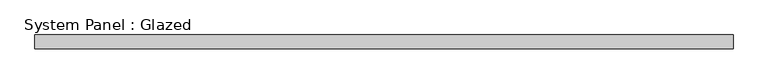
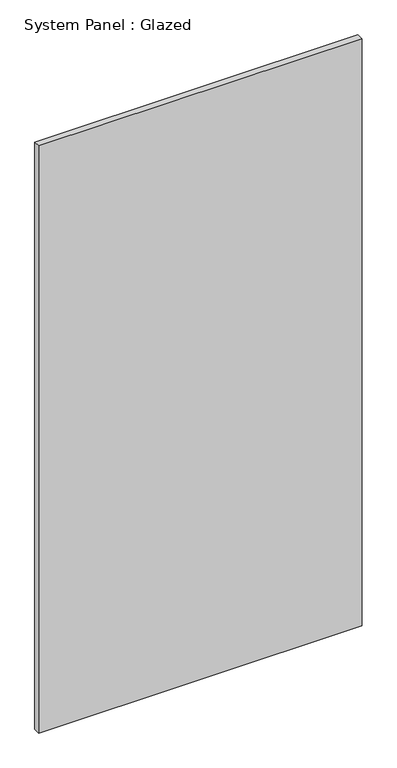
"""IFC4 building model written with IfcOpenShell, lengths in millimetres: plate geometry, System Panel : Glazed."""

import ifcopenshell
import ifcopenshell.guid

model = None  # the IFC model being written
_history = None  # IfcOwnerHistory: only IFC2X3 demands one
_inside = {}  # id of a spatial element -> (the spatial element, [elements in it])
_under = {}  # id of a project, library or spatial element -> (it, [spatial elements below it])
_declared = {}  # id of a project -> (the project, [libraries it declares])
_typed = {}  # id of a type object -> (the type object, [elements of that type])
_made_of = {}  # id of a material, layer set ... -> (it, [elements and type objects made of it])


def new_model(schema):
    """Start an empty IFC model of exactly this schema.

    Asked for "IFC4X3", IfcOpenShell would pick the latest addendum, in which some entities
    have other attributes; the version numbers below select the first issue.
    IFC2X3 requires an IfcOwnerHistory on every rooted entity: one is made here for all.
    """
    global model, _history
    if schema == "IFC4X3":
        model = ifcopenshell.file(schema_version=(4, 3, 0, 0))
    else:
        model = ifcopenshell.file(schema=schema)
    _inside.clear()
    _under.clear()
    _declared.clear()
    _typed.clear()
    _made_of.clear()
    _history = None
    if model.schema == "IFC2X3":
        org = make("IfcOrganization", Name="unknown")
        user = make(
            "IfcPersonAndOrganization",
            ThePerson=make("IfcPerson", FamilyName="unknown"),
            TheOrganization=org,
        )
        app = make(
            "IfcApplication",
            ApplicationDeveloper=org,
            Version="unknown",
            ApplicationFullName="unknown",
            ApplicationIdentifier="unknown",
        )
        _history = make(
            "IfcOwnerHistory",
            OwningUser=user,
            OwningApplication=app,
            ChangeAction="ADDED",
            CreationDate=0,
        )
    return model


def make(cls, **values):
    """One entity of the class cls with the attributes given. An attribute that is None is left unset."""
    return model.create_entity(
        cls, **{name: value for name, value in values.items() if value is not None}
    )


def rooted(cls, **values):
    """An entity with a GlobalId (a new one), such as an element, a storey or a relation."""
    return make(cls, GlobalId=ifcopenshell.guid.new(), OwnerHistory=_history, **values)


def si_unit(unit_type, name, prefix=None):
    """IfcSIUnit, for example si_unit("LENGTHUNIT", "METRE", prefix="MILLI")."""
    return make("IfcSIUnit", UnitType=unit_type, Prefix=prefix, Name=name)


def assignment(units):
    """IfcUnitAssignment: the units of a project."""
    return None if units is None else make("IfcUnitAssignment", Units=units)


def point(xyz):
    """IfcCartesianPoint."""
    return None if xyz is None else make("IfcCartesianPoint", Coordinates=xyz)


def direction(xyz):
    """IfcDirection."""
    return None if xyz is None else make("IfcDirection", DirectionRatios=xyz)


def frame(location, z_axis=None, x_axis=None):
    """IfcAxis2Placement3D, a coordinate frame: its origin and axes. An axis left out is left unset."""
    return make(
        "IfcAxis2Placement3D",
        Location=point(location),
        Axis=direction(z_axis),
        RefDirection=direction(x_axis),
    )


def origin():
    """The frame at (0, 0, 0) with its axes left unset."""
    return frame((0.0, 0.0, 0.0))


def origin_with_axes():
    """The frame at (0, 0, 0) with the z axis (0, 0, 1) and the x axis (1, 0, 0) written out."""
    return frame((0.0, 0.0, 0.0), z_axis=(0.0, 0.0, 1.0), x_axis=(1.0, 0.0, 0.0))


def place(relative_to, where):
    """IfcLocalPlacement: puts the frame where relative to a parent placement (None: the world)."""
    return make(
        "IfcLocalPlacement", PlacementRelTo=relative_to, RelativePlacement=where
    )


def context(
    kind, dimensions, precision=None, world=None, true_north=None, identifier=None
):
    """IfcGeometricRepresentationContext, for example the 3D "Model" context."""
    return make(
        "IfcGeometricRepresentationContext",
        ContextIdentifier=identifier,
        ContextType=kind,
        CoordinateSpaceDimension=dimensions,
        Precision=precision,
        WorldCoordinateSystem=world,
        TrueNorth=true_north,
    )


def project(units=None, contexts=None):
    """IfcProject with its units and contexts."""
    return rooted(
        "IfcProject",
        Name="project",
        RepresentationContexts=contexts,
        UnitsInContext=assignment(units),
    )


def spatial(cls, under=None, at=None, **own):
    """A site, building, storey or space (cls), placed at a placement, below another one or the project."""
    s = rooted(cls, ObjectPlacement=at, **own)
    if under is not None:
        _under.setdefault(under.id(), (under, []))[1].append(s)
    return s


def polyline(points):
    """IfcPolyline through the points."""
    return make("IfcPolyline", Points=[point(p) for p in points])


def outline(outer, holes=None, kind="AREA"):
    """IfcArbitraryClosedProfileDef: a profile drawn as a closed curve; with holes, ...WithVoids."""
    if holes is None:
        return make("IfcArbitraryClosedProfileDef", ProfileType=kind, OuterCurve=outer)
    return make(
        "IfcArbitraryProfileDefWithVoids",
        ProfileType=kind,
        OuterCurve=outer,
        InnerCurves=holes,
    )


def extrude(swept, where, along, depth):
    """IfcExtrudedAreaSolid: the profile swept, set in the frame where, extruded along a direction by depth."""
    return make(
        "IfcExtrudedAreaSolid",
        SweptArea=swept,
        Position=where,
        ExtrudedDirection=direction(along),
        Depth=depth,
    )


def shape(context_of_items, identifier, shape_type, items):
    """IfcShapeRepresentation: the items that make up one representation, for example the "Body"."""
    return make(
        "IfcShapeRepresentation",
        ContextOfItems=context_of_items,
        RepresentationIdentifier=identifier,
        RepresentationType=shape_type,
        Items=items,
    )


def source(mapping_origin, context_of_items, identifier, shape_type, items):
    """IfcRepresentationMap: a shape defined once, which mapped items show again and again."""
    return make(
        "IfcRepresentationMap",
        MappingOrigin=mapping_origin,
        MappedRepresentation=shape(context_of_items, identifier, shape_type, items),
    )


def transform(
    local_origin,
    x_axis=None,
    y_axis=None,
    z_axis=None,
    scale=None,
    scale2=None,
    scale3=None,
    uniform=True,
):
    """IfcCartesianTransformationOperator3D, or its non-uniform kind. x_axis, y_axis, z_axis: its Axis1, 2, 3."""
    if uniform:
        return make(
            "IfcCartesianTransformationOperator3D",
            Axis1=direction(x_axis),
            Axis2=direction(y_axis),
            LocalOrigin=point(local_origin),
            Scale=scale,
            Axis3=direction(z_axis),
        )
    return make(
        "IfcCartesianTransformationOperator3DnonUniform",
        Axis1=direction(x_axis),
        Axis2=direction(y_axis),
        LocalOrigin=point(local_origin),
        Scale=scale,
        Axis3=direction(z_axis),
        Scale2=scale2,
        Scale3=scale3,
    )


def mapped(mapping_source, mapping_target):
    """IfcMappedItem: shows the shape of a source again, moved by a transform."""
    return make(
        "IfcMappedItem", MappingSource=mapping_source, MappingTarget=mapping_target
    )


def made_of(thing, what):
    """Note that an element or type object is made of a material, layer set ...; save() writes the relation."""
    if what is not None:
        _made_of.setdefault(what.id(), (what, []))[1].append(thing)
    return thing


def element(
    cls,
    number,
    at=None,
    inside=None,
    cuts=None,
    type_object=None,
    material=None,
    context=None,
    identifier="Body",
    shape_type=None,
    held_by="IfcProductDefinitionShape",
    body=None,
    shapes=None,
    **own,
):
    """One element of the class cls, such as IfcWall. Its Tag is "e" and its number.

    at: its placement. inside: the storey or other place that contains it. cuts: it is an
    opening in that element (IfcRelVoidsElement). A single representation is given by context,
    identifier, shape_type and body (its items); several are given by shapes. held_by: the class
    of the entity that holds the representations. save() writes the other relations.
    """
    e = rooted(cls, Tag="e%d" % number, ObjectPlacement=at, **own)
    if body is not None:
        shapes = [shape(context, identifier, shape_type, body)]
    if shapes is not None:
        e.Representation = make(held_by, Representations=shapes)
    if inside is not None:
        _inside.setdefault(inside.id(), (inside, []))[1].append(e)
    if cuts is not None:
        rooted(
            "IfcRelVoidsElement", RelatingBuildingElement=cuts, RelatedOpeningElement=e
        )
    if type_object is not None:
        _typed.setdefault(type_object.id(), (type_object, []))[1].append(e)
    return made_of(e, material)


def aggregate(whole, parts):
    """IfcRelAggregates: a whole, such as a stair, and the parts it consists of."""
    return rooted("IfcRelAggregates", RelatingObject=whole, RelatedObjects=parts)


def save(model, path):
    """Write the relations noted so far, then the file.

    IfcRelAggregates (storeys below a building ...), IfcRelContainedInSpatialStructure (elements
    in a storey), IfcRelDefinesByType, IfcRelAssociatesMaterial and IfcRelDeclares: one each for
    every whole, place, type object, material and project.
    """
    for whole, parts in _under.values():
        aggregate(whole, parts)
    for where, things in _inside.values():
        rooted(
            "IfcRelContainedInSpatialStructure",
            RelatedElements=things,
            RelatingStructure=where,
        )
    for kind, things in _typed.values():
        rooted("IfcRelDefinesByType", RelatedObjects=things, RelatingType=kind)
    for what, things in _made_of.values():
        rooted("IfcRelAssociatesMaterial", RelatedObjects=things, RelatingMaterial=what)
    for by, libraries in _declared.values():
        rooted("IfcRelDeclares", RelatingContext=by, RelatedDefinitions=libraries)
    model.write(path)


def system_panel_glazed_8dcfc137(model_context):
    return source(origin(), model_context, "Body", "SweptSolid", [
        extrude(outline(polyline([(627.8571429, -49.5), (-627.8571429, -49.5), (-627.8571429, -24.5), (627.8571429, -24.5), (627.8571429, -49.5)])), origin_with_axes(), (0.0, 0.0, 1.0), 2410.0),
    ])


if __name__ == "__main__":
    model = new_model("IFC4")
    model_context = context("Model", 3, world=origin())
    ifc_project = project(units=[si_unit("LENGTHUNIT", "METRE", prefix="MILLI")], contexts=[model_context])
    site = spatial("IfcSite", under=ifc_project)
    building = spatial("IfcBuilding", under=site)
    placement = place(None, origin())
    system_panel_glazed_shape = system_panel_glazed_8dcfc137(model_context)
    element("IfcPlate", 1, ObjectType="System Panel : Glazed", at=placement, inside=building, context=model_context, shape_type="MappedRepresentation", body=[
        mapped(system_panel_glazed_shape, transform((0.0, 0.0, 0.0), x_axis=(1.0, 0.0, 0.0), y_axis=(0.0, 1.0, 0.0), z_axis=(0.0, 0.0, 1.0))),
    ])
    save(model, "model.ifc")
